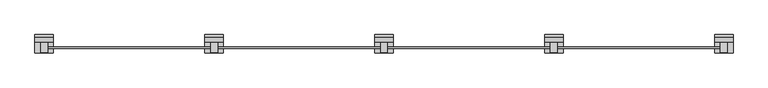
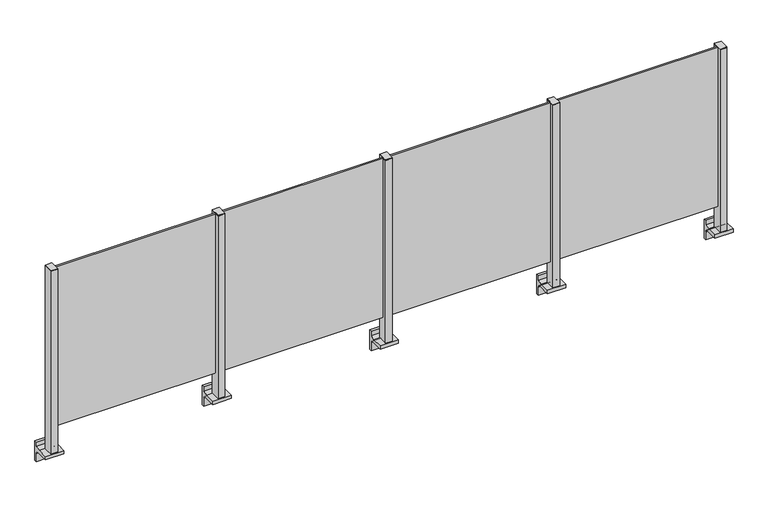
"""IFC4 building model written with IfcOpenShell, lengths in millimetres: railing geometry."""

import ifcopenshell
import ifcopenshell.guid

model = None  # the IFC model being written
_history = None  # IfcOwnerHistory: only IFC2X3 demands one
_inside = {}  # id of a spatial element -> (the spatial element, [elements in it])
_under = {}  # id of a project, library or spatial element -> (it, [spatial elements below it])
_declared = {}  # id of a project -> (the project, [libraries it declares])
_typed = {}  # id of a type object -> (the type object, [elements of that type])
_made_of = {}  # id of a material, layer set ... -> (it, [elements and type objects made of it])


def new_model(schema):
    """Start an empty IFC model of exactly this schema.

    Asked for "IFC4X3", IfcOpenShell would pick the latest addendum, in which some entities
    have other attributes; the version numbers below select the first issue.
    IFC2X3 requires an IfcOwnerHistory on every rooted entity: one is made here for all.
    """
    global model, _history
    if schema == "IFC4X3":
        model = ifcopenshell.file(schema_version=(4, 3, 0, 0))
    else:
        model = ifcopenshell.file(schema=schema)
    _inside.clear()
    _under.clear()
    _declared.clear()
    _typed.clear()
    _made_of.clear()
    _history = None
    if model.schema == "IFC2X3":
        org = make("IfcOrganization", Name="unknown")
        user = make(
            "IfcPersonAndOrganization",
            ThePerson=make("IfcPerson", FamilyName="unknown"),
            TheOrganization=org,
        )
        app = make(
            "IfcApplication",
            ApplicationDeveloper=org,
            Version="unknown",
            ApplicationFullName="unknown",
            ApplicationIdentifier="unknown",
        )
        _history = make(
            "IfcOwnerHistory",
            OwningUser=user,
            OwningApplication=app,
            ChangeAction="ADDED",
            CreationDate=0,
        )
    return model


def make(cls, **values):
    """One entity of the class cls with the attributes given. An attribute that is None is left unset."""
    return model.create_entity(
        cls, **{name: value for name, value in values.items() if value is not None}
    )


def rooted(cls, **values):
    """An entity with a GlobalId (a new one), such as an element, a storey or a relation."""
    return make(cls, GlobalId=ifcopenshell.guid.new(), OwnerHistory=_history, **values)


def si_unit(unit_type, name, prefix=None):
    """IfcSIUnit, for example si_unit("LENGTHUNIT", "METRE", prefix="MILLI")."""
    return make("IfcSIUnit", UnitType=unit_type, Prefix=prefix, Name=name)


def assignment(units):
    """IfcUnitAssignment: the units of a project."""
    return None if units is None else make("IfcUnitAssignment", Units=units)


def point(xyz):
    """IfcCartesianPoint."""
    return None if xyz is None else make("IfcCartesianPoint", Coordinates=xyz)


def direction(xyz):
    """IfcDirection."""
    return None if xyz is None else make("IfcDirection", DirectionRatios=xyz)


def frame(location, z_axis=None, x_axis=None):
    """IfcAxis2Placement3D, a coordinate frame: its origin and axes. An axis left out is left unset."""
    return make(
        "IfcAxis2Placement3D",
        Location=point(location),
        Axis=direction(z_axis),
        RefDirection=direction(x_axis),
    )


def frame_2d(location, x_axis=None):
    """IfcAxis2Placement2D, a coordinate frame in the plane: its origin and x axis."""
    return make(
        "IfcAxis2Placement2D", Location=point(location), RefDirection=direction(x_axis)
    )


def origin():
    """The frame at (0, 0, 0) with its axes left unset."""
    return frame((0.0, 0.0, 0.0))


def place(relative_to, where):
    """IfcLocalPlacement: puts the frame where relative to a parent placement (None: the world)."""
    return make(
        "IfcLocalPlacement", PlacementRelTo=relative_to, RelativePlacement=where
    )


def context(
    kind, dimensions, precision=None, world=None, true_north=None, identifier=None
):
    """IfcGeometricRepresentationContext, for example the 3D "Model" context."""
    return make(
        "IfcGeometricRepresentationContext",
        ContextIdentifier=identifier,
        ContextType=kind,
        CoordinateSpaceDimension=dimensions,
        Precision=precision,
        WorldCoordinateSystem=world,
        TrueNorth=true_north,
    )


def project(units=None, contexts=None):
    """IfcProject with its units and contexts."""
    return rooted(
        "IfcProject",
        Name="project",
        RepresentationContexts=contexts,
        UnitsInContext=assignment(units),
    )


def spatial(cls, under=None, at=None, **own):
    """A site, building, storey or space (cls), placed at a placement, below another one or the project."""
    s = rooted(cls, ObjectPlacement=at, **own)
    if under is not None:
        _under.setdefault(under.id(), (under, []))[1].append(s)
    return s


def polyline(points):
    """IfcPolyline through the points."""
    return make("IfcPolyline", Points=[point(p) for p in points])


def circle_curve(where, radius):
    """IfcCircle in the frame where."""
    return make("IfcCircle", Position=where, Radius=radius)


def trimmed(basis, trim1, trim2, sense, master):
    """IfcTrimmedCurve: the piece of a basis curve between two trims."""
    return make(
        "IfcTrimmedCurve",
        BasisCurve=basis,
        Trim1=trim1,
        Trim2=trim2,
        SenseAgreement=sense,
        MasterRepresentation=master,
    )


def segment(curve, same_sense, transition):
    """IfcCompositeCurveSegment."""
    return make(
        "IfcCompositeCurveSegment",
        Transition=transition,
        SameSense=same_sense,
        ParentCurve=curve,
    )


def composite_curve(segments, self_intersect=None):
    """IfcCompositeCurve: segments joined end to end."""
    return make("IfcCompositeCurve", Segments=segments, SelfIntersect=self_intersect)


def outline(outer, holes=None, kind="AREA"):
    """IfcArbitraryClosedProfileDef: a profile drawn as a closed curve; with holes, ...WithVoids."""
    if holes is None:
        return make("IfcArbitraryClosedProfileDef", ProfileType=kind, OuterCurve=outer)
    return make(
        "IfcArbitraryProfileDefWithVoids",
        ProfileType=kind,
        OuterCurve=outer,
        InnerCurves=holes,
    )


def extrude(swept, where, along, depth):
    """IfcExtrudedAreaSolid: the profile swept, set in the frame where, extruded along a direction by depth."""
    return make(
        "IfcExtrudedAreaSolid",
        SweptArea=swept,
        Position=where,
        ExtrudedDirection=direction(along),
        Depth=depth,
    )


def shape(context_of_items, identifier, shape_type, items):
    """IfcShapeRepresentation: the items that make up one representation, for example the "Body"."""
    return make(
        "IfcShapeRepresentation",
        ContextOfItems=context_of_items,
        RepresentationIdentifier=identifier,
        RepresentationType=shape_type,
        Items=items,
    )


def source(mapping_origin, context_of_items, identifier, shape_type, items):
    """IfcRepresentationMap: a shape defined once, which mapped items show again and again."""
    return make(
        "IfcRepresentationMap",
        MappingOrigin=mapping_origin,
        MappedRepresentation=shape(context_of_items, identifier, shape_type, items),
    )


def transform(
    local_origin,
    x_axis=None,
    y_axis=None,
    z_axis=None,
    scale=None,
    scale2=None,
    scale3=None,
    uniform=True,
):
    """IfcCartesianTransformationOperator3D, or its non-uniform kind. x_axis, y_axis, z_axis: its Axis1, 2, 3."""
    if uniform:
        return make(
            "IfcCartesianTransformationOperator3D",
            Axis1=direction(x_axis),
            Axis2=direction(y_axis),
            LocalOrigin=point(local_origin),
            Scale=scale,
            Axis3=direction(z_axis),
        )
    return make(
        "IfcCartesianTransformationOperator3DnonUniform",
        Axis1=direction(x_axis),
        Axis2=direction(y_axis),
        LocalOrigin=point(local_origin),
        Scale=scale,
        Axis3=direction(z_axis),
        Scale2=scale2,
        Scale3=scale3,
    )


def mapped(mapping_source, mapping_target):
    """IfcMappedItem: shows the shape of a source again, moved by a transform."""
    return make(
        "IfcMappedItem", MappingSource=mapping_source, MappingTarget=mapping_target
    )


def made_of(thing, what):
    """Note that an element or type object is made of a material, layer set ...; save() writes the relation."""
    if what is not None:
        _made_of.setdefault(what.id(), (what, []))[1].append(thing)
    return thing


def element(
    cls,
    number,
    at=None,
    inside=None,
    cuts=None,
    type_object=None,
    material=None,
    context=None,
    identifier="Body",
    shape_type=None,
    held_by="IfcProductDefinitionShape",
    body=None,
    shapes=None,
    **own,
):
    """One element of the class cls, such as IfcWall. Its Tag is "e" and its number.

    at: its placement. inside: the storey or other place that contains it. cuts: it is an
    opening in that element (IfcRelVoidsElement). A single representation is given by context,
    identifier, shape_type and body (its items); several are given by shapes. held_by: the class
    of the entity that holds the representations. save() writes the other relations.
    """
    e = rooted(cls, Tag="e%d" % number, ObjectPlacement=at, **own)
    if body is not None:
        shapes = [shape(context, identifier, shape_type, body)]
    if shapes is not None:
        e.Representation = make(held_by, Representations=shapes)
    if inside is not None:
        _inside.setdefault(inside.id(), (inside, []))[1].append(e)
    if cuts is not None:
        rooted(
            "IfcRelVoidsElement", RelatingBuildingElement=cuts, RelatedOpeningElement=e
        )
    if type_object is not None:
        _typed.setdefault(type_object.id(), (type_object, []))[1].append(e)
    return made_of(e, material)


def aggregate(whole, parts):
    """IfcRelAggregates: a whole, such as a stair, and the parts it consists of."""
    return rooted("IfcRelAggregates", RelatingObject=whole, RelatedObjects=parts)


def save(model, path):
    """Write the relations noted so far, then the file.

    IfcRelAggregates (storeys below a building ...), IfcRelContainedInSpatialStructure (elements
    in a storey), IfcRelDefinesByType, IfcRelAssociatesMaterial and IfcRelDeclares: one each for
    every whole, place, type object, material and project.
    """
    for whole, parts in _under.values():
        aggregate(whole, parts)
    for where, things in _inside.values():
        rooted(
            "IfcRelContainedInSpatialStructure",
            RelatedElements=things,
            RelatingStructure=where,
        )
    for kind, things in _typed.values():
        rooted("IfcRelDefinesByType", RelatedObjects=things, RelatingType=kind)
    for what, things in _made_of.values():
        rooted("IfcRelAssociatesMaterial", RelatedObjects=things, RelatingMaterial=what)
    for by, libraries in _declared.values():
        rooted("IfcRelDeclares", RelatingContext=by, RelatedDefinitions=libraries)
    model.write(path)


def railing_ab83eeff(model_context):
    return source(origin(), model_context, "Body", "SweptSolid", [
        extrude(outline(polyline([(75310.0, -188.0905071), (75310.0, -178.0905071), (76390.0, -178.0905071), (76390.0, -188.0905071), (75310.0, -188.0905071)])), frame((0.0, 0.0, 95.0), z_axis=(0.0, 0.0, 1.0), x_axis=(1.0, 0.0, 0.0)), (0.0, 0.0, 1.0), 1105.0),
        extrude(outline(composite_curve([segment(polyline([(-149.8153172, -70.0), (-115.8153172, -63.0), (-115.8153172, -32.5), (-99.8153172, -32.5), (-99.8153172, -167.5), (-115.8153172, -167.5), (-115.8153172, -113.5)]), True, "CONTINUOUS"), segment(trimmed(circle_curve(frame_2d((-135.8153172, -113.5)), 20.0), [point((-115.8153172, -113.5))], [point((-135.8153172, -93.5))], True, "CARTESIAN"), True, "CONTINUOUS"), segment(polyline([(-135.8153172, -93.5), (-219.8153172, -93.5), (-219.8153172, -70.0), (-149.8153172, -70.0)]), True, "CONTINUOUS")], self_intersect=False)), frame((75240.0, 0.0, 0.0), z_axis=(1.0, 0.0, 0.0), x_axis=(0.0, 1.0, 0.0)), (0.0, 0.0, 1.0), 120.0),
        extrude(outline(polyline([(75322.5, -149.8153172), (75322.5, -214.8153172), (75277.5, -214.8153172), (75277.5, -149.8153172), (75322.5, -149.8153172)])), frame((0.0, 0.0, -70.0), z_axis=(0.0, 0.0, 1.0), x_axis=(1.0, 0.0, 0.0)), (0.0, 0.0, 1.0), 1270.0),
        extrude(outline(polyline([(75322.5, -149.8153172), (75322.5, -214.8153172), (75277.5, -214.8153172), (75277.5, -149.8153172), (75322.5, -149.8153172)])), frame((0.0, 0.0, 1200.0), z_axis=(0.0, 0.0, 1.0), x_axis=(1.0, 0.0, 0.0)), (0.0, 0.0, 1.0), 5.0),
        extrude(outline(polyline([(74210.0, -188.0905071), (74210.0, -178.0905071), (75290.0, -178.0905071), (75290.0, -188.0905071), (74210.0, -188.0905071)])), frame((0.0, 0.0, 95.0), z_axis=(0.0, 0.0, 1.0), x_axis=(1.0, 0.0, 0.0)), (0.0, 0.0, 1.0), 1105.0),
        extrude(outline(composite_curve([segment(polyline([(-149.8153172, -70.0), (-115.8153172, -63.0), (-115.8153172, -32.5), (-99.8153172, -32.5), (-99.8153172, -167.5), (-115.8153172, -167.5), (-115.8153172, -113.5)]), True, "CONTINUOUS"), segment(trimmed(circle_curve(frame_2d((-135.8153172, -113.5)), 20.0), [point((-115.8153172, -113.5))], [point((-135.8153172, -93.5))], True, "CARTESIAN"), True, "CONTINUOUS"), segment(polyline([(-135.8153172, -93.5), (-219.8153172, -93.5), (-219.8153172, -70.0), (-149.8153172, -70.0)]), True, "CONTINUOUS")], self_intersect=False)), frame((74140.0, 0.0, 0.0), z_axis=(1.0, 0.0, 0.0), x_axis=(0.0, 1.0, 0.0)), (0.0, 0.0, 1.0), 120.0),
        extrude(outline(polyline([(74222.5, -149.8153172), (74222.5, -214.8153172), (74177.5, -214.8153172), (74177.5, -149.8153172), (74222.5, -149.8153172)])), frame((0.0, 0.0, -70.0), z_axis=(0.0, 0.0, 1.0), x_axis=(1.0, 0.0, 0.0)), (0.0, 0.0, 1.0), 1270.0),
        extrude(outline(polyline([(74222.5, -149.8153172), (74222.5, -214.8153172), (74177.5, -214.8153172), (74177.5, -149.8153172), (74222.5, -149.8153172)])), frame((0.0, 0.0, 1200.0), z_axis=(0.0, 0.0, 1.0), x_axis=(1.0, 0.0, 0.0)), (0.0, 0.0, 1.0), 5.0),
        extrude(outline(polyline([(73110.0, -188.0905071), (73110.0, -178.0905071), (74190.0, -178.0905071), (74190.0, -188.0905071), (73110.0, -188.0905071)])), frame((0.0, 0.0, 95.0), z_axis=(0.0, 0.0, 1.0), x_axis=(1.0, 0.0, 0.0)), (0.0, 0.0, 1.0), 1105.0),
        extrude(outline(composite_curve([segment(polyline([(-149.8153172, -70.0), (-115.8153172, -63.0), (-115.8153172, -32.5), (-99.8153172, -32.5), (-99.8153172, -167.5), (-115.8153172, -167.5), (-115.8153172, -113.5)]), True, "CONTINUOUS"), segment(trimmed(circle_curve(frame_2d((-135.8153172, -113.5)), 20.0), [point((-115.8153172, -113.5))], [point((-135.8153172, -93.5))], True, "CARTESIAN"), True, "CONTINUOUS"), segment(polyline([(-135.8153172, -93.5), (-219.8153172, -93.5), (-219.8153172, -70.0), (-149.8153172, -70.0)]), True, "CONTINUOUS")], self_intersect=False)), frame((73040.0, 0.0, 0.0), z_axis=(1.0, 0.0, 0.0), x_axis=(0.0, 1.0, 0.0)), (0.0, 0.0, 1.0), 120.0),
        extrude(outline(polyline([(73122.5, -149.8153172), (73122.5, -214.8153172), (73077.5, -214.8153172), (73077.5, -149.8153172), (73122.5, -149.8153172)])), frame((0.0, 0.0, -70.0), z_axis=(0.0, 0.0, 1.0), x_axis=(1.0, 0.0, 0.0)), (0.0, 0.0, 1.0), 1270.0),
        extrude(outline(polyline([(73122.5, -149.8153172), (73122.5, -214.8153172), (73077.5, -214.8153172), (73077.5, -149.8153172), (73122.5, -149.8153172)])), frame((0.0, 0.0, 1200.0), z_axis=(0.0, 0.0, 1.0), x_axis=(1.0, 0.0, 0.0)), (0.0, 0.0, 1.0), 5.0),
        extrude(outline(polyline([(72010.0, -188.0905071), (72010.0, -178.0905071), (73090.0, -178.0905071), (73090.0, -188.0905071), (72010.0, -188.0905071)])), frame((0.0, 0.0, 95.0), z_axis=(0.0, 0.0, 1.0), x_axis=(1.0, 0.0, 0.0)), (0.0, 0.0, 1.0), 1105.0),
        extrude(outline(composite_curve([segment(polyline([(-149.8153172, -70.0), (-115.8153172, -63.0), (-115.8153172, -32.5), (-99.8153172, -32.5), (-99.8153172, -167.5), (-115.8153172, -167.5), (-115.8153172, -113.5)]), True, "CONTINUOUS"), segment(trimmed(circle_curve(frame_2d((-135.8153172, -113.5)), 20.0), [point((-115.8153172, -113.5))], [point((-135.8153172, -93.5))], True, "CARTESIAN"), True, "CONTINUOUS"), segment(polyline([(-135.8153172, -93.5), (-219.8153172, -93.5), (-219.8153172, -70.0), (-149.8153172, -70.0)]), True, "CONTINUOUS")], self_intersect=False)), frame((76340.0, 0.0, 0.0), z_axis=(1.0, 0.0, 0.0), x_axis=(0.0, 1.0, 0.0)), (0.0, 0.0, 1.0), 120.0),
        extrude(outline(polyline([(76422.5, -149.8153172), (76422.5, -214.8153172), (76377.5, -214.8153172), (76377.5, -149.8153172), (76422.5, -149.8153172)])), frame((0.0, 0.0, -70.0), z_axis=(0.0, 0.0, 1.0), x_axis=(1.0, 0.0, 0.0)), (0.0, 0.0, 1.0), 1270.0),
        extrude(outline(polyline([(76422.5, -149.8153172), (76422.5, -214.8153172), (76377.5, -214.8153172), (76377.5, -149.8153172), (76422.5, -149.8153172)])), frame((0.0, 0.0, 1200.0), z_axis=(0.0, 0.0, 1.0), x_axis=(1.0, 0.0, 0.0)), (0.0, 0.0, 1.0), 5.0),
        extrude(outline(composite_curve([segment(polyline([(-149.8153172, -70.0), (-115.8153172, -63.0), (-115.8153172, -32.5), (-99.8153172, -32.5), (-99.8153172, -167.5), (-115.8153172, -167.5), (-115.8153172, -113.5)]), True, "CONTINUOUS"), segment(trimmed(circle_curve(frame_2d((-135.8153172, -113.5)), 20.0), [point((-115.8153172, -113.5))], [point((-135.8153172, -93.5))], True, "CARTESIAN"), True, "CONTINUOUS"), segment(polyline([(-135.8153172, -93.5), (-219.8153172, -93.5), (-219.8153172, -70.0), (-149.8153172, -70.0)]), True, "CONTINUOUS")], self_intersect=False)), frame((71940.0, 0.0, 0.0), z_axis=(1.0, 0.0, 0.0), x_axis=(0.0, 1.0, 0.0)), (0.0, 0.0, 1.0), 120.0),
        extrude(outline(polyline([(72022.5, -149.8153172), (72022.5, -214.8153172), (71977.5, -214.8153172), (71977.5, -149.8153172), (72022.5, -149.8153172)])), frame((0.0, 0.0, -70.0), z_axis=(0.0, 0.0, 1.0), x_axis=(1.0, 0.0, 0.0)), (0.0, 0.0, 1.0), 1270.0),
        extrude(outline(polyline([(72022.5, -149.8153172), (72022.5, -214.8153172), (71977.5, -214.8153172), (71977.5, -149.8153172), (72022.5, -149.8153172)])), frame((0.0, 0.0, 1200.0), z_axis=(0.0, 0.0, 1.0), x_axis=(1.0, 0.0, 0.0)), (0.0, 0.0, 1.0), 5.0),
    ])


if __name__ == "__main__":
    model = new_model("IFC4")
    model_context = context("Model", 3, world=origin())
    ifc_project = project(units=[si_unit("LENGTHUNIT", "METRE", prefix="MILLI")], contexts=[model_context])
    site = spatial("IfcSite", under=ifc_project)
    building = spatial("IfcBuilding", under=site)
    placement = place(None, origin())
    railing_shape = railing_ab83eeff(model_context)
    element("IfcRailing", 1, at=placement, inside=building, context=model_context, shape_type="MappedRepresentation", body=[
        mapped(railing_shape, transform((0.0, 0.0, 0.0), x_axis=(1.0, 0.0, 0.0), y_axis=(0.0, 1.0, 0.0), z_axis=(0.0, 0.0, 1.0))),
    ])
    save(model, "model.ifc")
